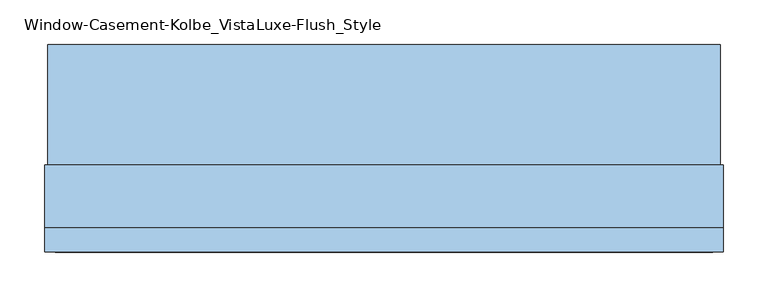
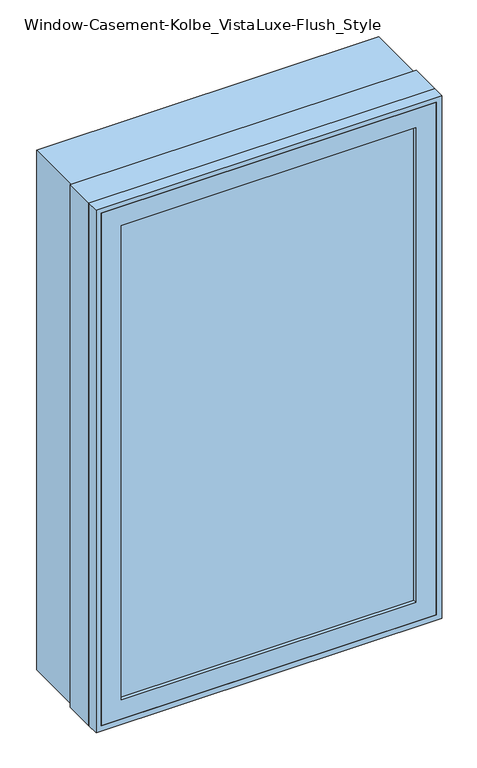
"""IFC4 building model written with IfcOpenShell, lengths in millimetres: window geometry, Window-Casement-Kolbe_VistaLuxe-Flush_Style."""

import ifcopenshell
import ifcopenshell.guid

model = None  # the IFC model being written
_history = None  # IfcOwnerHistory: only IFC2X3 demands one
_inside = {}  # id of a spatial element -> (the spatial element, [elements in it])
_under = {}  # id of a project, library or spatial element -> (it, [spatial elements below it])
_declared = {}  # id of a project -> (the project, [libraries it declares])
_typed = {}  # id of a type object -> (the type object, [elements of that type])
_made_of = {}  # id of a material, layer set ... -> (it, [elements and type objects made of it])


def new_model(schema):
    """Start an empty IFC model of exactly this schema.

    Asked for "IFC4X3", IfcOpenShell would pick the latest addendum, in which some entities
    have other attributes; the version numbers below select the first issue.
    IFC2X3 requires an IfcOwnerHistory on every rooted entity: one is made here for all.
    """
    global model, _history
    if schema == "IFC4X3":
        model = ifcopenshell.file(schema_version=(4, 3, 0, 0))
    else:
        model = ifcopenshell.file(schema=schema)
    _inside.clear()
    _under.clear()
    _declared.clear()
    _typed.clear()
    _made_of.clear()
    _history = None
    if model.schema == "IFC2X3":
        org = make("IfcOrganization", Name="unknown")
        user = make(
            "IfcPersonAndOrganization",
            ThePerson=make("IfcPerson", FamilyName="unknown"),
            TheOrganization=org,
        )
        app = make(
            "IfcApplication",
            ApplicationDeveloper=org,
            Version="unknown",
            ApplicationFullName="unknown",
            ApplicationIdentifier="unknown",
        )
        _history = make(
            "IfcOwnerHistory",
            OwningUser=user,
            OwningApplication=app,
            ChangeAction="ADDED",
            CreationDate=0,
        )
    return model


def make(cls, **values):
    """One entity of the class cls with the attributes given. An attribute that is None is left unset."""
    return model.create_entity(
        cls, **{name: value for name, value in values.items() if value is not None}
    )


def rooted(cls, **values):
    """An entity with a GlobalId (a new one), such as an element, a storey or a relation."""
    return make(cls, GlobalId=ifcopenshell.guid.new(), OwnerHistory=_history, **values)


def si_unit(unit_type, name, prefix=None):
    """IfcSIUnit, for example si_unit("LENGTHUNIT", "METRE", prefix="MILLI")."""
    return make("IfcSIUnit", UnitType=unit_type, Prefix=prefix, Name=name)


def assignment(units):
    """IfcUnitAssignment: the units of a project."""
    return None if units is None else make("IfcUnitAssignment", Units=units)


def point(xyz):
    """IfcCartesianPoint."""
    return None if xyz is None else make("IfcCartesianPoint", Coordinates=xyz)


def direction(xyz):
    """IfcDirection."""
    return None if xyz is None else make("IfcDirection", DirectionRatios=xyz)


def frame(location, z_axis=None, x_axis=None):
    """IfcAxis2Placement3D, a coordinate frame: its origin and axes. An axis left out is left unset."""
    return make(
        "IfcAxis2Placement3D",
        Location=point(location),
        Axis=direction(z_axis),
        RefDirection=direction(x_axis),
    )


def origin():
    """The frame at (0, 0, 0) with its axes left unset."""
    return frame((0.0, 0.0, 0.0))


def place(relative_to, where):
    """IfcLocalPlacement: puts the frame where relative to a parent placement (None: the world)."""
    return make(
        "IfcLocalPlacement", PlacementRelTo=relative_to, RelativePlacement=where
    )


def context(
    kind, dimensions, precision=None, world=None, true_north=None, identifier=None
):
    """IfcGeometricRepresentationContext, for example the 3D "Model" context."""
    return make(
        "IfcGeometricRepresentationContext",
        ContextIdentifier=identifier,
        ContextType=kind,
        CoordinateSpaceDimension=dimensions,
        Precision=precision,
        WorldCoordinateSystem=world,
        TrueNorth=true_north,
    )


def project(units=None, contexts=None):
    """IfcProject with its units and contexts."""
    return rooted(
        "IfcProject",
        Name="project",
        RepresentationContexts=contexts,
        UnitsInContext=assignment(units),
    )


def spatial(cls, under=None, at=None, **own):
    """A site, building, storey or space (cls), placed at a placement, below another one or the project."""
    s = rooted(cls, ObjectPlacement=at, **own)
    if under is not None:
        _under.setdefault(under.id(), (under, []))[1].append(s)
    return s


def polyline(points):
    """IfcPolyline through the points."""
    return make("IfcPolyline", Points=[point(p) for p in points])


def outline(outer, holes=None, kind="AREA"):
    """IfcArbitraryClosedProfileDef: a profile drawn as a closed curve; with holes, ...WithVoids."""
    if holes is None:
        return make("IfcArbitraryClosedProfileDef", ProfileType=kind, OuterCurve=outer)
    return make(
        "IfcArbitraryProfileDefWithVoids",
        ProfileType=kind,
        OuterCurve=outer,
        InnerCurves=holes,
    )


def extrude(swept, where, along, depth):
    """IfcExtrudedAreaSolid: the profile swept, set in the frame where, extruded along a direction by depth."""
    return make(
        "IfcExtrudedAreaSolid",
        SweptArea=swept,
        Position=where,
        ExtrudedDirection=direction(along),
        Depth=depth,
    )


def faces_of(points, faces, orient=None, outer=None):
    """IfcFace entities. A face is a list of loops; a loop is a list of indices into points, from 0.

    orient and outer hold one flag for each loop. By default every Orientation is true, the
    first loop of a face is its IfcFaceOuterBound and the others are IfcFaceBound.
    """
    made = []
    for i, loops in enumerate(faces):
        bounds = []
        for j, loop in enumerate(loops):
            is_outer = j == 0 if outer is None else outer[i][j]
            bounds.append(
                make(
                    "IfcFaceOuterBound" if is_outer else "IfcFaceBound",
                    Bound=make("IfcPolyLoop", Polygon=[points[k] for k in loop]),
                    Orientation=True if orient is None else orient[i][j],
                )
            )
        made.append(make("IfcFace", Bounds=bounds))
    return made


def faceted_brep(points, faces, orient=None, outer=None, voids=None):
    """IfcFacetedBrep: a solid bounded by flat faces; with voids (closed shells), ...WithVoids."""
    shared = [point(p) for p in points]
    hull = make("IfcClosedShell", CfsFaces=faces_of(shared, faces, orient, outer))
    if voids is None:
        return make("IfcFacetedBrep", Outer=hull)
    return make(
        "IfcFacetedBrepWithVoids",
        Outer=hull,
        Voids=[
            make(cls, CfsFaces=faces_of(shared, fs, o, b)) for cls, fs, o, b in voids
        ],
    )


def shape(context_of_items, identifier, shape_type, items):
    """IfcShapeRepresentation: the items that make up one representation, for example the "Body"."""
    return make(
        "IfcShapeRepresentation",
        ContextOfItems=context_of_items,
        RepresentationIdentifier=identifier,
        RepresentationType=shape_type,
        Items=items,
    )


def source(mapping_origin, context_of_items, identifier, shape_type, items):
    """IfcRepresentationMap: a shape defined once, which mapped items show again and again."""
    return make(
        "IfcRepresentationMap",
        MappingOrigin=mapping_origin,
        MappedRepresentation=shape(context_of_items, identifier, shape_type, items),
    )


def transform(
    local_origin,
    x_axis=None,
    y_axis=None,
    z_axis=None,
    scale=None,
    scale2=None,
    scale3=None,
    uniform=True,
):
    """IfcCartesianTransformationOperator3D, or its non-uniform kind. x_axis, y_axis, z_axis: its Axis1, 2, 3."""
    if uniform:
        return make(
            "IfcCartesianTransformationOperator3D",
            Axis1=direction(x_axis),
            Axis2=direction(y_axis),
            LocalOrigin=point(local_origin),
            Scale=scale,
            Axis3=direction(z_axis),
        )
    return make(
        "IfcCartesianTransformationOperator3DnonUniform",
        Axis1=direction(x_axis),
        Axis2=direction(y_axis),
        LocalOrigin=point(local_origin),
        Scale=scale,
        Axis3=direction(z_axis),
        Scale2=scale2,
        Scale3=scale3,
    )


def mapped(mapping_source, mapping_target):
    """IfcMappedItem: shows the shape of a source again, moved by a transform."""
    return make(
        "IfcMappedItem", MappingSource=mapping_source, MappingTarget=mapping_target
    )


def made_of(thing, what):
    """Note that an element or type object is made of a material, layer set ...; save() writes the relation."""
    if what is not None:
        _made_of.setdefault(what.id(), (what, []))[1].append(thing)
    return thing


def element(
    cls,
    number,
    at=None,
    inside=None,
    cuts=None,
    type_object=None,
    material=None,
    context=None,
    identifier="Body",
    shape_type=None,
    held_by="IfcProductDefinitionShape",
    body=None,
    shapes=None,
    **own,
):
    """One element of the class cls, such as IfcWall. Its Tag is "e" and its number.

    at: its placement. inside: the storey or other place that contains it. cuts: it is an
    opening in that element (IfcRelVoidsElement). A single representation is given by context,
    identifier, shape_type and body (its items); several are given by shapes. held_by: the class
    of the entity that holds the representations. save() writes the other relations.
    """
    e = rooted(cls, Tag="e%d" % number, ObjectPlacement=at, **own)
    if body is not None:
        shapes = [shape(context, identifier, shape_type, body)]
    if shapes is not None:
        e.Representation = make(held_by, Representations=shapes)
    if inside is not None:
        _inside.setdefault(inside.id(), (inside, []))[1].append(e)
    if cuts is not None:
        rooted(
            "IfcRelVoidsElement", RelatingBuildingElement=cuts, RelatedOpeningElement=e
        )
    if type_object is not None:
        _typed.setdefault(type_object.id(), (type_object, []))[1].append(e)
    return made_of(e, material)


def aggregate(whole, parts):
    """IfcRelAggregates: a whole, such as a stair, and the parts it consists of."""
    return rooted("IfcRelAggregates", RelatingObject=whole, RelatedObjects=parts)


def save(model, path):
    """Write the relations noted so far, then the file.

    IfcRelAggregates (storeys below a building ...), IfcRelContainedInSpatialStructure (elements
    in a storey), IfcRelDefinesByType, IfcRelAssociatesMaterial and IfcRelDeclares: one each for
    every whole, place, type object, material and project.
    """
    for whole, parts in _under.values():
        aggregate(whole, parts)
    for where, things in _inside.values():
        rooted(
            "IfcRelContainedInSpatialStructure",
            RelatedElements=things,
            RelatingStructure=where,
        )
    for kind, things in _typed.values():
        rooted("IfcRelDefinesByType", RelatedObjects=things, RelatingType=kind)
    for what, things in _made_of.values():
        rooted("IfcRelAssociatesMaterial", RelatedObjects=things, RelatingMaterial=what)
    for by, libraries in _declared.values():
        rooted("IfcRelDeclares", RelatingContext=by, RelatedDefinitions=libraries)
    model.write(path)


def window_casement_kolbe_vistaluxe_flush_style_6fa94ae8(model_context):
    return source(origin(), model_context, "Body", "SolidModel", [
        faceted_brep([(-330.2696599, -121.37898, 970.676875), (-330.2696599, -129.31648, 970.676875), (319.1765901, -129.31648, 970.676875), (319.1765901, -121.37898, 970.676875), (-346.1446599, -99.12858, 954.801875), (-346.1446599, -121.37898, 954.801875), (335.0515901, -121.37898, 954.801875), (335.0515901, -99.12858, 954.801875), (-330.2696599, -80.10398, 970.676875), (-330.2696599, -99.12858, 970.676875), (319.1765901, -99.12858, 970.676875), (319.1765901, -80.10398, 970.676875), (-374.7196599, -129.31648, 926.226875), (-374.7196599, -80.10398, 926.226875), (363.6265901, -80.10398, 926.226875), (363.6265901, -129.31648, 926.226875), (319.1765901, -129.31648, 2077.323125), (319.1765901, -121.37898, 2077.323125), (335.0515901, -121.37898, 2093.198125), (335.0515901, -99.12858, 2093.198125), (319.1765901, -99.12858, 2077.323125), (319.1765901, -80.10398, 2077.323125), (363.6265901, -80.10398, 2121.773125), (363.6265901, -129.31648, 2121.773125), (-330.2696599, -129.31648, 2077.323125), (-330.2696599, -121.37898, 2077.323125), (-346.1446599, -121.37898, 2093.198125), (-346.1446599, -99.12858, 2093.198125), (-330.2696599, -99.12858, 2077.323125), (-330.2696599, -80.10398, 2077.323125), (-374.7196599, -80.10398, 2121.773125), (-374.7196599, -129.31648, 2121.773125)], [[[0, 1, 2, 3]], [[4, 5, 6, 7]], [[8, 9, 10, 11]], [[12, 13, 14, 15]], [[3, 2, 16, 17]], [[7, 6, 18, 19]], [[11, 10, 20, 21]], [[15, 14, 22, 23]], [[17, 16, 24, 25]], [[19, 18, 26, 27]], [[21, 20, 28, 29]], [[23, 22, 30, 31]], [[25, 24, 1, 0]], [[5, 26, 18, 6], [3, 17, 25, 0]], [[27, 26, 5, 4]], [[7, 19, 27, 4], [9, 28, 20, 10]], [[29, 28, 9, 8]], [[13, 30, 22, 14], [11, 21, 29, 8]], [[31, 30, 13, 12]], [[15, 23, 31, 12], [1, 24, 16, 2]]]),
        extrude(outline(polyline([(2130.0186, 371.8720651), (2130.0186, -382.9651349), (917.9814, -382.9651349), (917.9814, 371.8720651), (2130.0186, 371.8720651)]), holes=[polyline([(936.545625, 353.3078401), (936.545625, -364.4009099), (2111.454375, -364.4009099), (2111.454375, 353.3078401), (936.545625, 353.3078401)])]), frame((0.0, -32.5247, 0.0), z_axis=(0.0, 1.0, 0.0), x_axis=(0.0, 0.0, 1.0)), (0.0, 0.0, 1.0), 135.7122),
        extrude(outline(polyline([(2133.6, -386.5465349), (914.4, -386.5465349), (914.4, 375.4534651), (2133.6, 375.4534651), (2133.6, -386.5465349)]), holes=[polyline([(2121.773125, 363.6265901), (926.226875, 363.6265901), (926.226875, -374.7196599), (2121.773125, -374.7196599), (2121.773125, 363.6265901)])]), frame((0.0, -130.1115, 0.0), z_axis=(0.0, 1.0, 0.0), x_axis=(0.0, 0.0, 1.0)), (0.0, 0.0, 1.0), 26.924),
        faceted_brep([(375.4534651, -32.5247, 914.4), (375.4534651, -103.1875, 914.4), (-386.5465349, -103.1875, 914.4), (-386.5465349, -32.5247, 914.4), (353.3078401, -80.10525, 936.545625), (353.3078401, -32.5247, 936.545625), (-364.4009099, -32.5247, 936.545625), (-364.4009099, -80.10525, 936.545625), (363.6265901, -103.1875, 926.226875), (363.6265901, -80.10525, 926.226875), (-374.7196599, -80.10525, 926.226875), (-374.7196599, -103.1875, 926.226875), (-386.5465349, -103.1875, 2133.6), (-386.5465349, -32.5247, 2133.6), (-364.4009099, -32.5247, 2111.454375), (-364.4009099, -80.10525, 2111.454375), (-374.7196599, -80.10525, 2121.773125), (-374.7196599, -103.1875, 2121.773125), (375.4534651, -103.1875, 2133.6), (375.4534651, -32.5247, 2133.6), (353.3078401, -32.5247, 2111.454375), (353.3078401, -80.10525, 2111.454375), (363.6265901, -80.10525, 2121.773125), (363.6265901, -103.1875, 2121.773125)], [[[0, 1, 2, 3]], [[4, 5, 6, 7]], [[8, 9, 10, 11]], [[3, 2, 12, 13]], [[7, 6, 14, 15]], [[11, 10, 16, 17]], [[13, 12, 18, 19]], [[15, 14, 20, 21]], [[17, 16, 22, 23]], [[19, 18, 1, 0]], [[3, 13, 19, 0], [5, 20, 14, 6]], [[21, 20, 5, 4]], [[9, 22, 16, 10], [7, 15, 21, 4]], [[23, 22, 9, 8]], [[1, 18, 12, 2], [11, 17, 23, 8]]]),
        extrude(outline(polyline([(331.8765901, -102.30358), (-342.9696599, -102.30358), (-342.9696599, -99.12858), (331.8765901, -99.12858), (331.8765901, -102.30358)])), frame((0.0, 0.0, 957.976875), z_axis=(0.0, 0.0, 1.0), x_axis=(1.0, 0.0, 0.0)), (0.0, 0.0, 1.0), 1132.04625),
        extrude(outline(polyline([(331.8765901, -118.20398), (331.8765901, -121.37898), (-342.9696599, -121.37898), (-342.9696599, -118.20398), (331.8765901, -118.20398)])), frame((0.0, 0.0, 957.976875), z_axis=(0.0, 0.0, 1.0), x_axis=(1.0, 0.0, 0.0)), (0.0, 0.0, 1.0), 1132.04625),
        extrude(outline(polyline([(936.545625, 353.3078401), (2111.454375, 353.3078401), (2111.454375, -364.4009099), (936.545625, -364.4009099), (936.545625, 353.3078401)]), holes=[polyline([(954.801875, -346.1446599), (2093.198125, -346.1446599), (2093.198125, 335.0515901), (954.801875, 335.0515901), (954.801875, -346.1446599)])]), frame((0.0, -80.10525, 0.0), z_axis=(0.0, 1.0, 0.0), x_axis=(0.0, 0.0, 1.0)), (0.0, 0.0, 1.0), 50.8),
    ])


if __name__ == "__main__":
    model = new_model("IFC4")
    model_context = context("Model", 3, world=origin())
    ifc_project = project(units=[si_unit("LENGTHUNIT", "METRE", prefix="MILLI")], contexts=[model_context])
    site = spatial("IfcSite", under=ifc_project)
    building = spatial("IfcBuilding", under=site)
    placement = place(None, origin())
    window_casement_kolbe_vistaluxe_flush_style_shape = window_casement_kolbe_vistaluxe_flush_style_6fa94ae8(model_context)
    element("IfcWindow", 1, ObjectType="Window-Casement-Kolbe_VistaLuxe-Flush_Style", at=placement, inside=building, context=model_context, shape_type="MappedRepresentation", body=[
        mapped(window_casement_kolbe_vistaluxe_flush_style_shape, transform((0.0, 0.0, 0.0), x_axis=(1.0, 0.0, 0.0), y_axis=(0.0, 1.0, 0.0), z_axis=(0.0, 0.0, 1.0))),
    ])
    save(model, "model.ifc")
